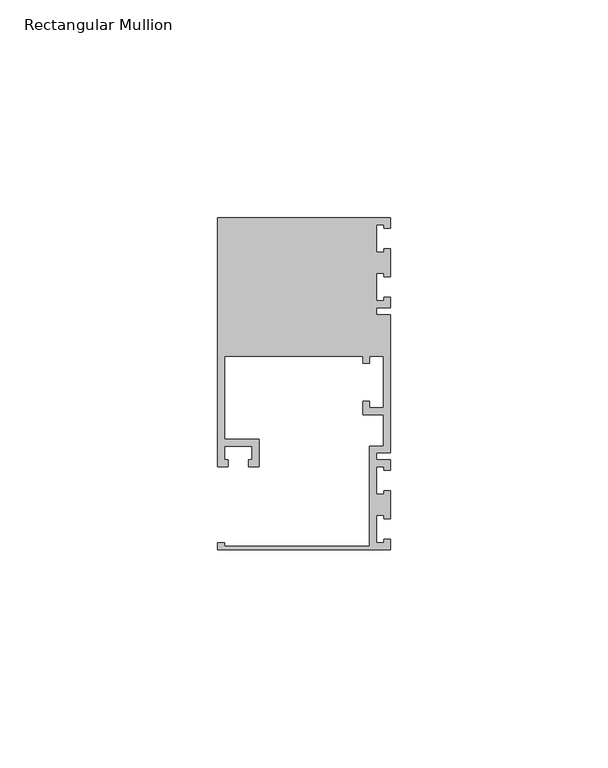
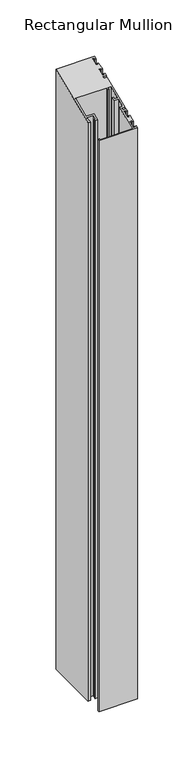
"""IFC4 building model written with IfcOpenShell, lengths in millimetres: member geometry, Rectangular Mullion."""

from ifc_helpers import new_model, si_unit, origin, place, context, project, spatial, faceted_brep, source, transform, mapped, element, save


def rectangular_mullion_71a03964(model_context):
    return source(origin(), model_context, "Body", "Brep", [
        faceted_brep([(0.0, -38.1, -635.0), (-39.6875, -38.1, -635.0), (-39.6875, -36.5125, -635.0), (-38.1, -36.5125, -635.0), (-38.1, -37.30625, -635.0), (-4.7625, -37.30625, -635.0), (-4.7625, -14.2875, -635.0), (-1.5875, -14.2875, -635.0), (-1.5875, -7.14375, -635.0), (-6.35, -7.14375, -635.0), (-6.35, -3.96875, -635.0), (-4.7625, -3.96875, -635.0), (-4.7625, -5.55625, -635.0), (-1.5875, -5.55625, -635.0), (-1.5875, 6.35, -635.0), (-4.7625, 6.35, -635.0), (-4.7625, 4.7625, -635.0), (-6.35, 4.7625, -635.0), (-6.35, 6.35, -635.0), (-38.1, 6.35, -635.0), (-38.1, -12.7, -635.0), (-30.1625, -12.7, -635.0), (-30.1625, -19.05, -635.0), (-32.54375, -19.05, -635.0), (-32.54375, -17.4625, -635.0), (-31.75, -17.4625, -635.0), (-31.75, -14.2875, -635.0), (-38.1, -14.2875, -635.0), (-38.1, -17.4625, -635.0), (-37.30625, -17.4625, -635.0), (-37.30625, -19.05, -635.0), (-39.6875, -19.05, -635.0), (-39.6875, 38.1, -635.0), (0.0, 38.1, -635.0), (0.0, 35.71875, -635.0), (-1.4999946, 35.71875, -635.0), (-1.4999946, 36.5125, -635.0), (-3.175, 36.5125, -635.0), (-3.175, 30.1625, -635.0), (-1.4999946, 30.1625, -635.0), (-1.4999946, 30.95625, -635.0), (0.0, 30.95625, -635.0), (0.0, 24.60625, -635.0), (-1.4999946, 24.60625, -635.0), (-1.4999946, 25.4, -635.0), (-3.175, 25.4, -635.0), (-3.175, 19.05, -635.0), (-1.4999946, 19.05, -635.0), (-1.4999946, 19.84375, -635.0), (0.0, 19.84375, -635.0), (0.0, 17.4625, -635.0), (-3.175, 17.4625, -635.0), (-3.175, 15.875, -635.0), (0.0, 15.875, -635.0), (0.0, -15.875, -635.0), (-3.175, -15.875, -635.0), (-3.175, -17.4625, -635.0), (0.0, -17.4625, -635.0), (0.0, -19.84375, -635.0), (-1.4999946, -19.84375, -635.0), (-1.4999946, -19.05, -635.0), (-3.175, -19.05, -635.0), (-3.175, -25.4, -635.0), (-1.4999946, -25.4, -635.0), (-1.4999946, -24.60625, -635.0), (0.0, -24.60625, -635.0), (0.0, -30.95625, -635.0), (-1.4999946, -30.95625, -635.0), (-1.4999946, -30.1625, -635.0), (-3.175, -30.1625, -635.0), (-3.175, -36.5125, -635.0), (-1.4999946, -36.5125, -635.0), (-1.4999946, -35.71875, -635.0), (0.0, -35.71875, -635.0), (0.0, -35.71875, -14.7951907), (0.0, -38.1, -15.7815367), (-1.4999946, -35.71875, -14.7951907), (-1.4999946, -36.5125, -15.1239727), (-3.175, -36.5125, -15.1239727), (-3.175, -30.1625, -12.4937166), (-1.4999946, -30.1625, -12.4937166), (-1.4999946, -30.95625, -12.8224986), (0.0, -30.95625, -12.8224986), (0.0, -24.60625, -10.1922425), (-1.4999946, -24.60625, -10.1922425), (-1.4999946, -25.4, -10.5210245), (-3.175, -25.4, -10.5210245), (-3.175, -19.05, -7.8907684), (-1.4999946, -19.05, -7.8907684), (-1.4999946, -19.84375, -8.2195504), (0.0, -19.84375, -8.2195504), (0.0, -17.4625, -7.2332043), (-3.175, -17.4625, -7.2332043), (-3.175, -15.875, -6.5756403), (0.0, -15.875, -6.5756403), (0.0, 15.875, 6.5756403), (-3.175, 15.875, 6.5756403), (-3.175, 17.4625, 7.2332043), (0.0, 17.4625, 7.2332043), (0.0, 19.84375, 8.2195504), (-1.4999946, 19.84375, 8.2195504), (-1.4999946, 19.05, 7.8907684), (-3.175, 19.05, 7.8907684), (-3.175, 25.4, 10.5210245), (-1.4999946, 25.4, 10.5210245), (-1.4999946, 24.60625, 10.1922425), (0.0, 24.60625, 10.1922425), (0.0, 30.95625, 12.8224986), (-1.4999946, 30.95625, 12.8224986), (-1.4999946, 30.1625, 12.4937166), (-3.175, 30.1625, 12.4937166), (-3.175, 36.5125, 15.1239727), (-1.4999946, 36.5125, 15.1239727), (-1.4999946, 35.71875, 14.7951907), (0.0, 35.71875, 14.7951907), (0.0, 38.1, 15.7815367), (-39.6875, 38.1, 15.7815367), (-39.6875, -19.05, -7.8907684), (-37.30625, -19.05, -7.8907684), (-37.30625, -17.4625, -7.2332043), (-38.1, -17.4625, -7.2332043), (-38.1, -14.2875, -5.9180763), (-31.75, -14.2875, -5.9180763), (-31.75, -17.4625, -7.2332043), (-32.54375, -17.4625, -7.2332043), (-32.54375, -19.05, -7.8907684), (-30.1625, -19.05, -7.8907684), (-30.1625, -12.7, -5.2605122), (-38.1, -12.7, -5.2605122), (-38.1, 6.35, 2.6302561), (-6.35, 6.35, 2.6302561), (-6.35, 4.7625, 1.9726921), (-4.7625, 4.7625, 1.9726921), (-4.7625, 6.35, 2.6302561), (-1.5875, 6.35, 2.6302561), (-1.5875, -5.55625, -2.3014741), (-4.7625, -5.55625, -2.3014741), (-4.7625, -3.96875, -1.6439101), (-6.35, -3.96875, -1.6439101), (-6.35, -7.14375, -2.9590381), (-1.5875, -7.14375, -2.9590381), (-1.5875, -14.2875, -5.9180763), (-4.7625, -14.2875, -5.9180763), (-4.7625, -37.30625, -15.4527547), (-38.1, -37.30625, -15.4527547), (-38.1, -36.5125, -15.1239727), (-39.6875, -36.5125, -15.1239727), (-39.6875, -38.1, -15.7815367)], [[[0, 1, 2, 3, 4, 5, 6, 7, 8, 9, 10, 11, 12, 13, 14, 15, 16, 17, 18, 19, 20, 21, 22, 23, 24, 25, 26, 27, 28, 29, 30, 31, 32, 33, 34, 35, 36, 37, 38, 39, 40, 41, 42, 43, 44, 45, 46, 47, 48, 49, 50, 51, 52, 53, 54, 55, 56, 57, 58, 59, 60, 61, 62, 63, 64, 65, 66, 67, 68, 69, 70, 71, 72, 73]], [[74, 75, 0, 73]], [[76, 74, 73, 72]], [[77, 76, 72, 71]], [[78, 77, 71, 70]], [[79, 78, 70, 69]], [[80, 79, 69, 68]], [[81, 80, 68, 67]], [[82, 81, 67, 66]], [[83, 82, 66, 65]], [[84, 83, 65, 64]], [[85, 84, 64, 63]], [[86, 85, 63, 62]], [[87, 86, 62, 61]], [[88, 87, 61, 60]], [[89, 88, 60, 59]], [[90, 89, 59, 58]], [[91, 90, 58, 57]], [[92, 91, 57, 56]], [[93, 92, 56, 55]], [[94, 93, 55, 54]], [[95, 94, 54, 53]], [[96, 95, 53, 52]], [[97, 96, 52, 51]], [[98, 97, 51, 50]], [[99, 98, 50, 49]], [[100, 99, 49, 48]], [[101, 100, 48, 47]], [[102, 101, 47, 46]], [[103, 102, 46, 45]], [[104, 103, 45, 44]], [[105, 104, 44, 43]], [[106, 105, 43, 42]], [[107, 106, 42, 41]], [[108, 107, 41, 40]], [[109, 108, 40, 39]], [[110, 109, 39, 38]], [[111, 110, 38, 37]], [[112, 111, 37, 36]], [[113, 112, 36, 35]], [[114, 113, 35, 34]], [[115, 114, 34, 33]], [[116, 115, 33, 32]], [[117, 116, 32, 31]], [[118, 117, 31, 30]], [[119, 118, 30, 29]], [[120, 119, 29, 28]], [[121, 120, 28, 27]], [[122, 121, 27, 26]], [[123, 122, 26, 25]], [[124, 123, 25, 24]], [[125, 124, 24, 23]], [[126, 125, 23, 22]], [[127, 126, 22, 21]], [[128, 127, 21, 20]], [[129, 128, 20, 19]], [[130, 129, 19, 18]], [[131, 130, 18, 17]], [[132, 131, 17, 16]], [[133, 132, 16, 15]], [[134, 133, 15, 14]], [[135, 134, 14, 13]], [[136, 135, 13, 12]], [[137, 136, 12, 11]], [[138, 137, 11, 10]], [[139, 138, 10, 9]], [[140, 139, 9, 8]], [[141, 140, 8, 7]], [[142, 141, 7, 6]], [[143, 142, 6, 5]], [[144, 143, 5, 4]], [[145, 144, 4, 3]], [[146, 145, 3, 2]], [[147, 146, 2, 1]], [[75, 147, 1, 0]], [[75, 74, 76, 77, 78, 79, 80, 81, 82, 83, 84, 85, 86, 87, 88, 89, 90, 91, 92, 93, 94, 95, 96, 97, 98, 99, 100, 101, 102, 103, 104, 105, 106, 107, 108, 109, 110, 111, 112, 113, 114, 115, 116, 117, 118, 119, 120, 121, 122, 123, 124, 125, 126, 127, 128, 129, 130, 131, 132, 133, 134, 135, 136, 137, 138, 139, 140, 141, 142, 143, 144, 145, 146, 147]]]),
    ])


if __name__ == "__main__":
    model = new_model("IFC4")
    model_context = context("Model", 3, world=origin())
    ifc_project = project(units=[si_unit("LENGTHUNIT", "METRE", prefix="MILLI")], contexts=[model_context])
    site = spatial("IfcSite", under=ifc_project)
    building = spatial("IfcBuilding", under=site)
    placement = place(None, origin())
    rectangular_mullion_shape = rectangular_mullion_71a03964(model_context)
    element("IfcMember", 1, ObjectType="Rectangular Mullion", at=placement, inside=building, context=model_context, shape_type="MappedRepresentation", body=[
        mapped(rectangular_mullion_shape, transform((0.0, 0.0, 0.0), x_axis=(1.0, 0.0, 0.0), y_axis=(0.0, 1.0, 0.0), z_axis=(0.0, 0.0, 1.0))),
    ])
    save(model, "model.ifc")
